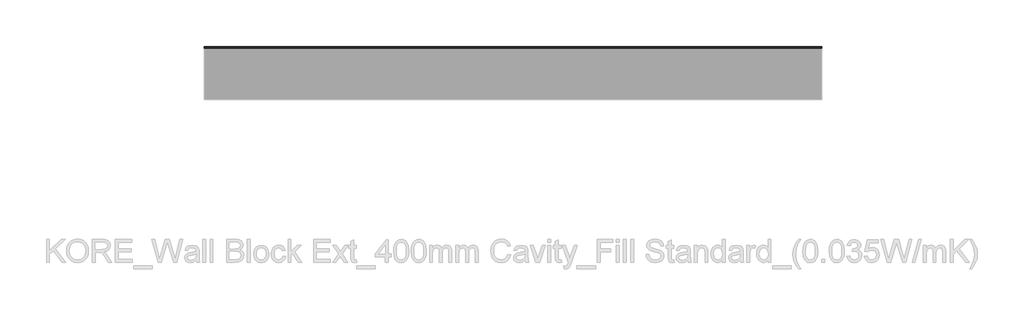
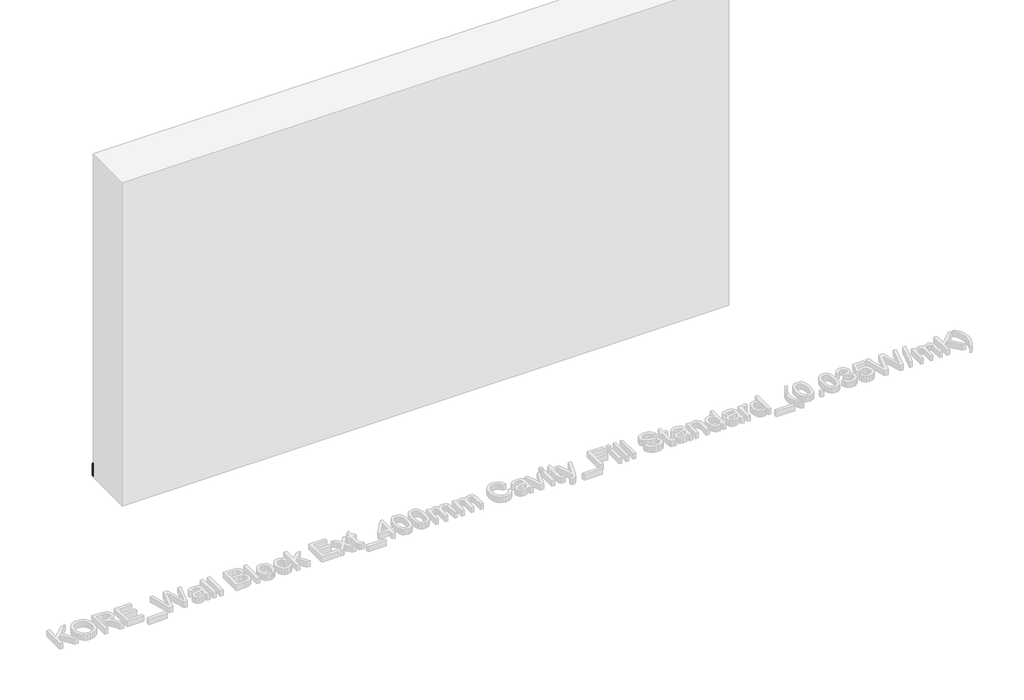
# One storey, part 26 of 60: 1 proxy.
"""IFC4 building model written with IfcOpenShell, lengths in millimetres."""

from ifc_helpers import new_model, si_unit, point, frame, frame_2d, origin, place, context, project, spatial, polyline, circle_curve, trimmed, segment, composite_curve, outline, extrude, element, save

model = new_model("IFC4")

# Units and contexts
model_context = context("Model", 3, world=origin())
ifc_project = project(units=[si_unit("LENGTHUNIT", "METRE", prefix="MILLI")], contexts=[model_context])

# Site, building, storey
site = spatial("IfcSite", under=ifc_project)
building = spatial("IfcBuilding", under=site)
storey = spatial("IfcBuildingStorey", under=building, Elevation=0.0)

# Proxy
placement = place(None, origin())
element("IfcBuildingElementProxy", 1, Name="Wall Sweeps", at=placement, inside=storey, context=model_context, shape_type="SweptSolid", body=[
    extrude(outline(composite_curve([segment(polyline([(12215.4236863, 129.5), (12224.4236863, 129.5), (12224.4236863, 120.2473165)]), True, "CONTINUOUS"), segment(trimmed(circle_curve(frame_2d((12214.8063342, 108.7361681)), 15.0), [point((12224.4236863, 120.2473165))], [point((12229.8063342, 108.7361681))], False, "CARTESIAN"), True, "CONTINUOUS"), segment(polyline([(12229.8063342, 108.7361681), (12229.8063342, 89.9145021), (12233.4236863, 81.1071309), (12233.4236863, 9.5), (12215.4236863, 9.5), (12215.4236863, 129.5)]), True, "CONTINUOUS")], self_intersect=False)), frame((39930.0129216, 0.0, 0.0), z_axis=(1.0, 0.0, 0.0), x_axis=(0.0, 1.0, 0.0)), (0.0, 0.0, 1.0), 5310.0),
])

save(model, "model.ifc")
